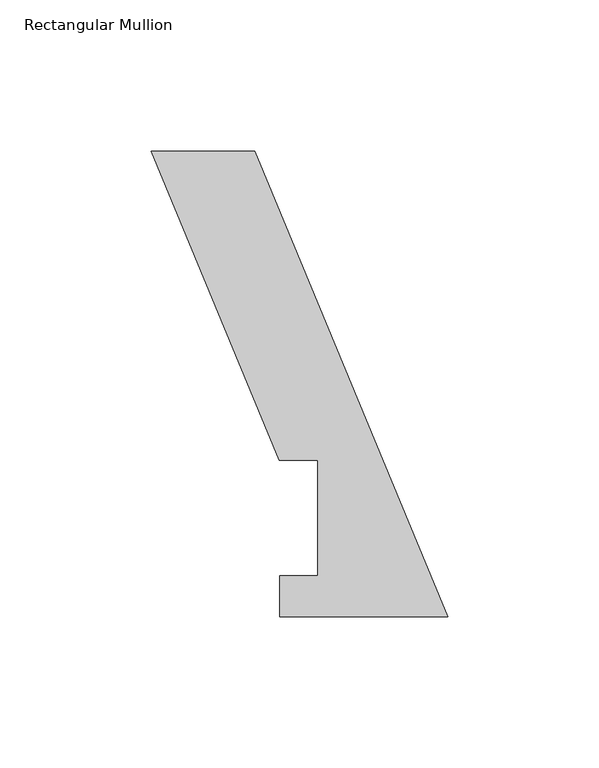
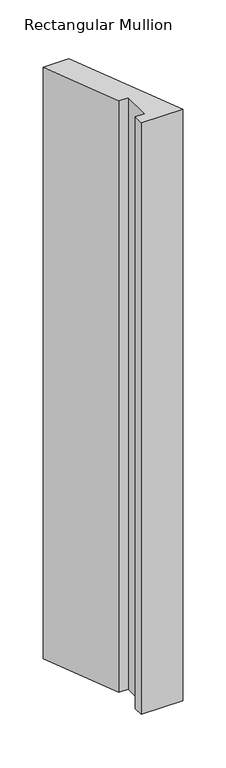
"""IFC4 building model written with IfcOpenShell, lengths in millimetres: member geometry, Rectangular Mullion."""

from ifc_helpers import new_model, si_unit, frame, origin, place, context, project, spatial, polyline, outline, extrude, source, transform, mapped, element, save


def rectangular_mullion_97bfb230(model_context):
    return source(origin(), model_context, "Body", "SweptSolid", [
        extrude(outline(polyline([(0.0, 0.0293687), (-55.6104307, 0.0293687), (-55.6104307, 13.5929687), (-43.0657162, 13.5929687), (-43.0657162, 51.6929687), (-55.7657162, 51.6929687), (-98.2041999, 154.1485318), (-63.8382476, 154.1485318), (0.0, 0.0293687)])), frame((0.0, 0.0, -838.2), z_axis=(0.0, 0.0, 1.0), x_axis=(1.0, 0.0, 0.0)), (0.0, 0.0, 1.0), 838.2),
    ])


if __name__ == "__main__":
    model = new_model("IFC4")
    model_context = context("Model", 3, world=origin())
    ifc_project = project(units=[si_unit("LENGTHUNIT", "METRE", prefix="MILLI")], contexts=[model_context])
    site = spatial("IfcSite", under=ifc_project)
    building = spatial("IfcBuilding", under=site)
    placement = place(None, origin())
    rectangular_mullion_shape = rectangular_mullion_97bfb230(model_context)
    element("IfcMember", 1, ObjectType="Rectangular Mullion", at=placement, inside=building, context=model_context, shape_type="MappedRepresentation", body=[
        mapped(rectangular_mullion_shape, transform((0.0, 0.0, 0.0), x_axis=(1.0, 0.0, 0.0), y_axis=(0.0, 1.0, 0.0), z_axis=(0.0, 0.0, 1.0))),
    ])
    save(model, "model.ifc")
